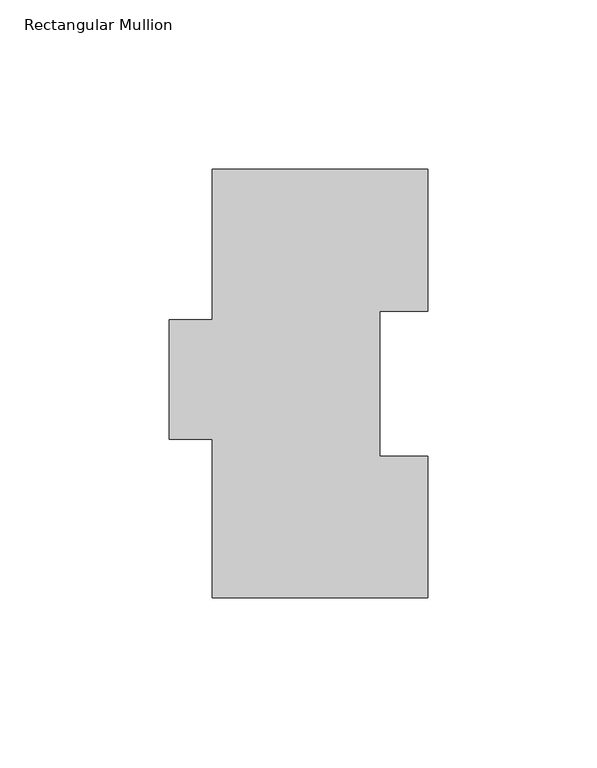
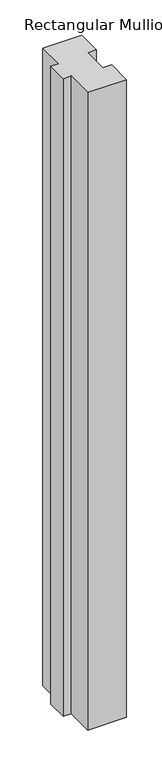
"""IFC4 building model written with IfcOpenShell, lengths in millimetres: member geometry, Rectangular Mullion."""

import ifcopenshell
import ifcopenshell.guid

model = None  # the IFC model being written
_history = None  # IfcOwnerHistory: only IFC2X3 demands one
_inside = {}  # id of a spatial element -> (the spatial element, [elements in it])
_under = {}  # id of a project, library or spatial element -> (it, [spatial elements below it])
_declared = {}  # id of a project -> (the project, [libraries it declares])
_typed = {}  # id of a type object -> (the type object, [elements of that type])
_made_of = {}  # id of a material, layer set ... -> (it, [elements and type objects made of it])


def new_model(schema):
    """Start an empty IFC model of exactly this schema.

    Asked for "IFC4X3", IfcOpenShell would pick the latest addendum, in which some entities
    have other attributes; the version numbers below select the first issue.
    IFC2X3 requires an IfcOwnerHistory on every rooted entity: one is made here for all.
    """
    global model, _history
    if schema == "IFC4X3":
        model = ifcopenshell.file(schema_version=(4, 3, 0, 0))
    else:
        model = ifcopenshell.file(schema=schema)
    _inside.clear()
    _under.clear()
    _declared.clear()
    _typed.clear()
    _made_of.clear()
    _history = None
    if model.schema == "IFC2X3":
        org = make("IfcOrganization", Name="unknown")
        user = make(
            "IfcPersonAndOrganization",
            ThePerson=make("IfcPerson", FamilyName="unknown"),
            TheOrganization=org,
        )
        app = make(
            "IfcApplication",
            ApplicationDeveloper=org,
            Version="unknown",
            ApplicationFullName="unknown",
            ApplicationIdentifier="unknown",
        )
        _history = make(
            "IfcOwnerHistory",
            OwningUser=user,
            OwningApplication=app,
            ChangeAction="ADDED",
            CreationDate=0,
        )
    return model


def make(cls, **values):
    """One entity of the class cls with the attributes given. An attribute that is None is left unset."""
    return model.create_entity(
        cls, **{name: value for name, value in values.items() if value is not None}
    )


def rooted(cls, **values):
    """An entity with a GlobalId (a new one), such as an element, a storey or a relation."""
    return make(cls, GlobalId=ifcopenshell.guid.new(), OwnerHistory=_history, **values)


def si_unit(unit_type, name, prefix=None):
    """IfcSIUnit, for example si_unit("LENGTHUNIT", "METRE", prefix="MILLI")."""
    return make("IfcSIUnit", UnitType=unit_type, Prefix=prefix, Name=name)


def assignment(units):
    """IfcUnitAssignment: the units of a project."""
    return None if units is None else make("IfcUnitAssignment", Units=units)


def point(xyz):
    """IfcCartesianPoint."""
    return None if xyz is None else make("IfcCartesianPoint", Coordinates=xyz)


def direction(xyz):
    """IfcDirection."""
    return None if xyz is None else make("IfcDirection", DirectionRatios=xyz)


def frame(location, z_axis=None, x_axis=None):
    """IfcAxis2Placement3D, a coordinate frame: its origin and axes. An axis left out is left unset."""
    return make(
        "IfcAxis2Placement3D",
        Location=point(location),
        Axis=direction(z_axis),
        RefDirection=direction(x_axis),
    )


def origin():
    """The frame at (0, 0, 0) with its axes left unset."""
    return frame((0.0, 0.0, 0.0))


def place(relative_to, where):
    """IfcLocalPlacement: puts the frame where relative to a parent placement (None: the world)."""
    return make(
        "IfcLocalPlacement", PlacementRelTo=relative_to, RelativePlacement=where
    )


def context(
    kind, dimensions, precision=None, world=None, true_north=None, identifier=None
):
    """IfcGeometricRepresentationContext, for example the 3D "Model" context."""
    return make(
        "IfcGeometricRepresentationContext",
        ContextIdentifier=identifier,
        ContextType=kind,
        CoordinateSpaceDimension=dimensions,
        Precision=precision,
        WorldCoordinateSystem=world,
        TrueNorth=true_north,
    )


def project(units=None, contexts=None):
    """IfcProject with its units and contexts."""
    return rooted(
        "IfcProject",
        Name="project",
        RepresentationContexts=contexts,
        UnitsInContext=assignment(units),
    )


def spatial(cls, under=None, at=None, **own):
    """A site, building, storey or space (cls), placed at a placement, below another one or the project."""
    s = rooted(cls, ObjectPlacement=at, **own)
    if under is not None:
        _under.setdefault(under.id(), (under, []))[1].append(s)
    return s


def polyline(points):
    """IfcPolyline through the points."""
    return make("IfcPolyline", Points=[point(p) for p in points])


def outline(outer, holes=None, kind="AREA"):
    """IfcArbitraryClosedProfileDef: a profile drawn as a closed curve; with holes, ...WithVoids."""
    if holes is None:
        return make("IfcArbitraryClosedProfileDef", ProfileType=kind, OuterCurve=outer)
    return make(
        "IfcArbitraryProfileDefWithVoids",
        ProfileType=kind,
        OuterCurve=outer,
        InnerCurves=holes,
    )


def extrude(swept, where, along, depth):
    """IfcExtrudedAreaSolid: the profile swept, set in the frame where, extruded along a direction by depth."""
    return make(
        "IfcExtrudedAreaSolid",
        SweptArea=swept,
        Position=where,
        ExtrudedDirection=direction(along),
        Depth=depth,
    )


def shape(context_of_items, identifier, shape_type, items):
    """IfcShapeRepresentation: the items that make up one representation, for example the "Body"."""
    return make(
        "IfcShapeRepresentation",
        ContextOfItems=context_of_items,
        RepresentationIdentifier=identifier,
        RepresentationType=shape_type,
        Items=items,
    )


def source(mapping_origin, context_of_items, identifier, shape_type, items):
    """IfcRepresentationMap: a shape defined once, which mapped items show again and again."""
    return make(
        "IfcRepresentationMap",
        MappingOrigin=mapping_origin,
        MappedRepresentation=shape(context_of_items, identifier, shape_type, items),
    )


def transform(
    local_origin,
    x_axis=None,
    y_axis=None,
    z_axis=None,
    scale=None,
    scale2=None,
    scale3=None,
    uniform=True,
):
    """IfcCartesianTransformationOperator3D, or its non-uniform kind. x_axis, y_axis, z_axis: its Axis1, 2, 3."""
    if uniform:
        return make(
            "IfcCartesianTransformationOperator3D",
            Axis1=direction(x_axis),
            Axis2=direction(y_axis),
            LocalOrigin=point(local_origin),
            Scale=scale,
            Axis3=direction(z_axis),
        )
    return make(
        "IfcCartesianTransformationOperator3DnonUniform",
        Axis1=direction(x_axis),
        Axis2=direction(y_axis),
        LocalOrigin=point(local_origin),
        Scale=scale,
        Axis3=direction(z_axis),
        Scale2=scale2,
        Scale3=scale3,
    )


def mapped(mapping_source, mapping_target):
    """IfcMappedItem: shows the shape of a source again, moved by a transform."""
    return make(
        "IfcMappedItem", MappingSource=mapping_source, MappingTarget=mapping_target
    )


def made_of(thing, what):
    """Note that an element or type object is made of a material, layer set ...; save() writes the relation."""
    if what is not None:
        _made_of.setdefault(what.id(), (what, []))[1].append(thing)
    return thing


def element(
    cls,
    number,
    at=None,
    inside=None,
    cuts=None,
    type_object=None,
    material=None,
    context=None,
    identifier="Body",
    shape_type=None,
    held_by="IfcProductDefinitionShape",
    body=None,
    shapes=None,
    **own,
):
    """One element of the class cls, such as IfcWall. Its Tag is "e" and its number.

    at: its placement. inside: the storey or other place that contains it. cuts: it is an
    opening in that element (IfcRelVoidsElement). A single representation is given by context,
    identifier, shape_type and body (its items); several are given by shapes. held_by: the class
    of the entity that holds the representations. save() writes the other relations.
    """
    e = rooted(cls, Tag="e%d" % number, ObjectPlacement=at, **own)
    if body is not None:
        shapes = [shape(context, identifier, shape_type, body)]
    if shapes is not None:
        e.Representation = make(held_by, Representations=shapes)
    if inside is not None:
        _inside.setdefault(inside.id(), (inside, []))[1].append(e)
    if cuts is not None:
        rooted(
            "IfcRelVoidsElement", RelatingBuildingElement=cuts, RelatedOpeningElement=e
        )
    if type_object is not None:
        _typed.setdefault(type_object.id(), (type_object, []))[1].append(e)
    return made_of(e, material)


def aggregate(whole, parts):
    """IfcRelAggregates: a whole, such as a stair, and the parts it consists of."""
    return rooted("IfcRelAggregates", RelatingObject=whole, RelatedObjects=parts)


def save(model, path):
    """Write the relations noted so far, then the file.

    IfcRelAggregates (storeys below a building ...), IfcRelContainedInSpatialStructure (elements
    in a storey), IfcRelDefinesByType, IfcRelAssociatesMaterial and IfcRelDeclares: one each for
    every whole, place, type object, material and project.
    """
    for whole, parts in _under.values():
        aggregate(whole, parts)
    for where, things in _inside.values():
        rooted(
            "IfcRelContainedInSpatialStructure",
            RelatedElements=things,
            RelatingStructure=where,
        )
    for kind, things in _typed.values():
        rooted("IfcRelDefinesByType", RelatedObjects=things, RelatingType=kind)
    for what, things in _made_of.values():
        rooted("IfcRelAssociatesMaterial", RelatedObjects=things, RelatingMaterial=what)
    for by, libraries in _declared.values():
        rooted("IfcRelDeclares", RelatingContext=by, RelatedDefinitions=libraries)
    model.write(path)


def rectangular_mullion_94a82ec7(model_context):
    return source(origin(), model_context, "Body", "SweptSolid", [
        extrude(outline(polyline([(-63.5, 126.75235), (0.0, 126.75235), (0.0, 84.93125), (-14.1590561, 84.93125), (-14.1590561, 42.08145), (0.0, 42.08145), (0.0, 0.26035), (-63.5, 0.26035), (-63.5, 47.12335), (-76.2, 47.12335), (-76.2, 82.30235), (-63.5, 82.30235), (-63.5, 126.75235)])), frame((0.0, 0.0, -1104.9005426), z_axis=(0.0, 0.0, 1.0), x_axis=(1.0, 0.0, 0.0)), (0.0, 0.0, 1.0), 1104.9005426),
    ])


if __name__ == "__main__":
    model = new_model("IFC4")
    model_context = context("Model", 3, world=origin())
    ifc_project = project(units=[si_unit("LENGTHUNIT", "METRE", prefix="MILLI")], contexts=[model_context])
    site = spatial("IfcSite", under=ifc_project)
    building = spatial("IfcBuilding", under=site)
    placement = place(None, origin())
    rectangular_mullion_shape = rectangular_mullion_94a82ec7(model_context)
    element("IfcMember", 1, ObjectType="Rectangular Mullion", at=placement, inside=building, context=model_context, shape_type="MappedRepresentation", body=[
        mapped(rectangular_mullion_shape, transform((0.0, 0.0, 0.0), x_axis=(1.0, 0.0, 0.0), y_axis=(0.0, 1.0, 0.0), z_axis=(0.0, 0.0, 1.0))),
    ])
    save(model, "model.ifc")
